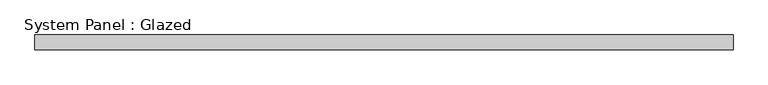
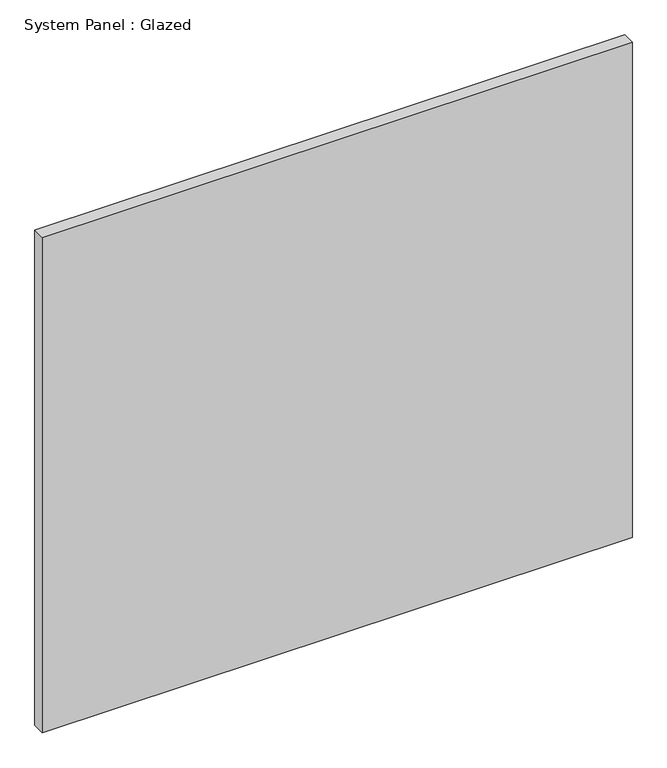
"""IFC4 building model written with IfcOpenShell, lengths in millimetres: plate geometry, System Panel : Glazed."""

from ifc_helpers import new_model, si_unit, origin, origin_with_axes, place, context, project, spatial, polyline, outline, extrude, source, transform, mapped, element, save


def system_panel_glazed_d689a2dc(model_context):
    return source(origin(), model_context, "Body", "SweptSolid", [
        extrude(outline(polyline([(601.1333333, -12.7), (-601.1333333, -12.7), (-601.1333333, 12.7), (601.1333333, 12.7), (601.1333333, -12.7)])), origin_with_axes(), (0.0, 0.0, 1.0), 1066.8),
    ])


if __name__ == "__main__":
    model = new_model("IFC4")
    model_context = context("Model", 3, world=origin())
    ifc_project = project(units=[si_unit("LENGTHUNIT", "METRE", prefix="MILLI")], contexts=[model_context])
    site = spatial("IfcSite", under=ifc_project)
    building = spatial("IfcBuilding", under=site)
    placement = place(None, origin())
    system_panel_glazed_shape = system_panel_glazed_d689a2dc(model_context)
    element("IfcPlate", 1, ObjectType="System Panel : Glazed", at=placement, inside=building, context=model_context, shape_type="MappedRepresentation", body=[
        mapped(system_panel_glazed_shape, transform((0.0, 0.0, 0.0), x_axis=(1.0, 0.0, 0.0), y_axis=(0.0, 1.0, 0.0), z_axis=(0.0, 0.0, 1.0))),
    ])
    save(model, "model.ifc")
